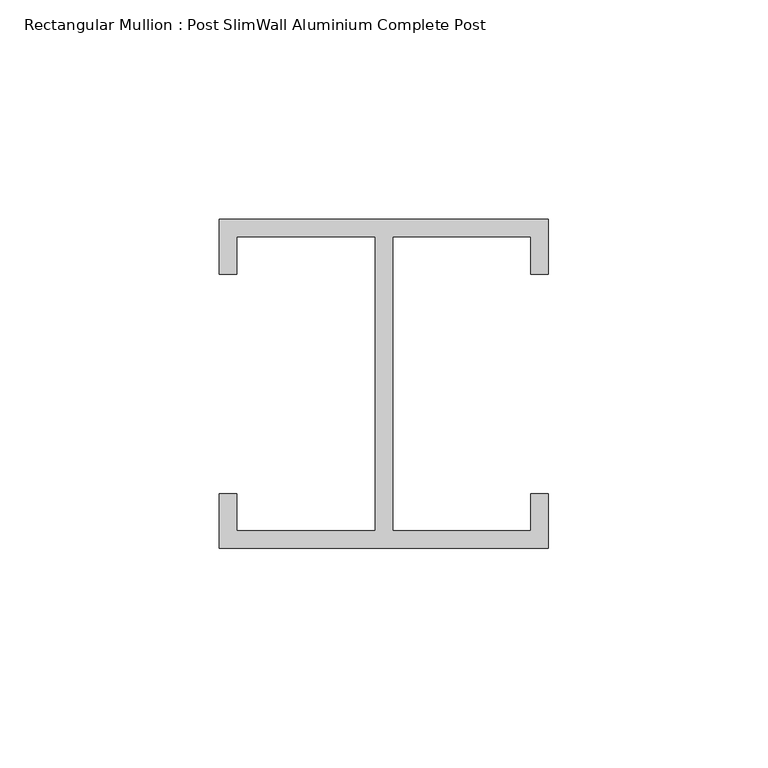
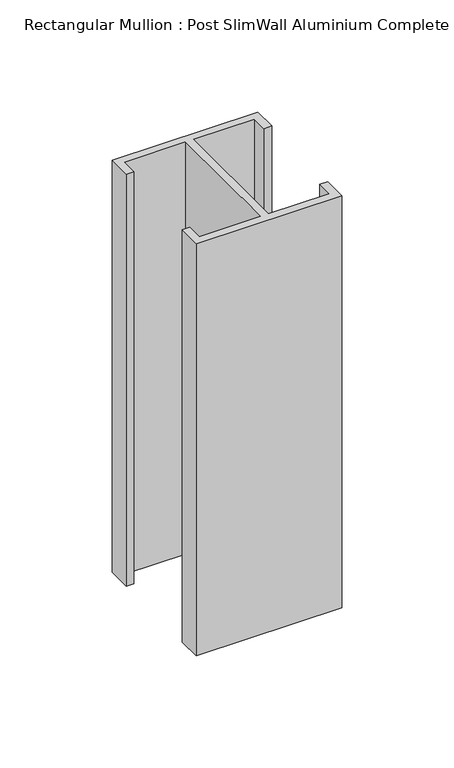
"""IFC4 building model written with IfcOpenShell, lengths in millimetres: member geometry, Rectangular Mullion : Post SlimWall Aluminium Complete Post."""

from ifc_helpers import new_model, si_unit, frame, origin, place, context, project, spatial, polyline, outline, extrude, source, transform, mapped, element, save


def rectangular_mullion_post_slimwall_aluminium_complete_post_3177ad68(model_context):
    return source(origin(), model_context, "Body", "SweptSolid", [
        extrude(outline(polyline([(-33.5, 33.5), (-33.5, 25.0), (-37.5, 25.0), (-37.5, 37.5), (37.5, 37.5), (37.5, 25.0), (33.5, 25.0), (33.5, 33.5), (2.0, 33.5), (2.0, -33.5), (33.5, -33.5), (33.5, -25.0), (37.5, -25.0), (37.5, -37.5), (-37.5, -37.5), (-37.5, -25.0), (-33.5, -25.0), (-33.5, -33.5), (-2.0, -33.5), (-2.0, 33.5), (-33.5, 33.5)])), frame((0.0, 0.0, -224.55), z_axis=(0.0, 0.0, 1.0), x_axis=(1.0, 0.0, 0.0)), (0.0, 0.0, 1.0), 224.55),
    ])


if __name__ == "__main__":
    model = new_model("IFC4")
    model_context = context("Model", 3, world=origin())
    ifc_project = project(units=[si_unit("LENGTHUNIT", "METRE", prefix="MILLI")], contexts=[model_context])
    site = spatial("IfcSite", under=ifc_project)
    building = spatial("IfcBuilding", under=site)
    placement = place(None, origin())
    rectangular_mullion_post_slimwall_aluminium_complete_post_shape = rectangular_mullion_post_slimwall_aluminium_complete_post_3177ad68(model_context)
    element("IfcMember", 1, ObjectType="Rectangular Mullion : Post SlimWall Aluminium Complete Post", at=placement, inside=building, context=model_context, shape_type="MappedRepresentation", body=[
        mapped(rectangular_mullion_post_slimwall_aluminium_complete_post_shape, transform((0.0, 0.0, 0.0), x_axis=(1.0, 0.0, 0.0), y_axis=(0.0, 1.0, 0.0), z_axis=(0.0, 0.0, 1.0))),
    ])
    save(model, "model.ifc")
